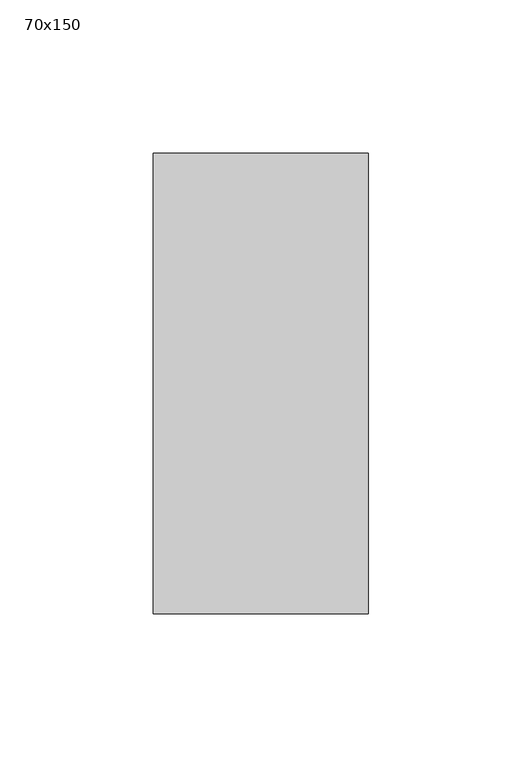
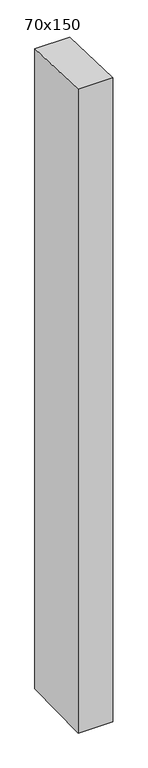
"""IFC4 building model written with IfcOpenShell, lengths in millimetres: member geometry, 70x150."""

import ifcopenshell
import ifcopenshell.guid

model = None  # the IFC model being written
_history = None  # IfcOwnerHistory: only IFC2X3 demands one
_inside = {}  # id of a spatial element -> (the spatial element, [elements in it])
_under = {}  # id of a project, library or spatial element -> (it, [spatial elements below it])
_declared = {}  # id of a project -> (the project, [libraries it declares])
_typed = {}  # id of a type object -> (the type object, [elements of that type])
_made_of = {}  # id of a material, layer set ... -> (it, [elements and type objects made of it])


def new_model(schema):
    """Start an empty IFC model of exactly this schema.

    Asked for "IFC4X3", IfcOpenShell would pick the latest addendum, in which some entities
    have other attributes; the version numbers below select the first issue.
    IFC2X3 requires an IfcOwnerHistory on every rooted entity: one is made here for all.
    """
    global model, _history
    if schema == "IFC4X3":
        model = ifcopenshell.file(schema_version=(4, 3, 0, 0))
    else:
        model = ifcopenshell.file(schema=schema)
    _inside.clear()
    _under.clear()
    _declared.clear()
    _typed.clear()
    _made_of.clear()
    _history = None
    if model.schema == "IFC2X3":
        org = make("IfcOrganization", Name="unknown")
        user = make(
            "IfcPersonAndOrganization",
            ThePerson=make("IfcPerson", FamilyName="unknown"),
            TheOrganization=org,
        )
        app = make(
            "IfcApplication",
            ApplicationDeveloper=org,
            Version="unknown",
            ApplicationFullName="unknown",
            ApplicationIdentifier="unknown",
        )
        _history = make(
            "IfcOwnerHistory",
            OwningUser=user,
            OwningApplication=app,
            ChangeAction="ADDED",
            CreationDate=0,
        )
    return model


def make(cls, **values):
    """One entity of the class cls with the attributes given. An attribute that is None is left unset."""
    return model.create_entity(
        cls, **{name: value for name, value in values.items() if value is not None}
    )


def rooted(cls, **values):
    """An entity with a GlobalId (a new one), such as an element, a storey or a relation."""
    return make(cls, GlobalId=ifcopenshell.guid.new(), OwnerHistory=_history, **values)


def si_unit(unit_type, name, prefix=None):
    """IfcSIUnit, for example si_unit("LENGTHUNIT", "METRE", prefix="MILLI")."""
    return make("IfcSIUnit", UnitType=unit_type, Prefix=prefix, Name=name)


def assignment(units):
    """IfcUnitAssignment: the units of a project."""
    return None if units is None else make("IfcUnitAssignment", Units=units)


def point(xyz):
    """IfcCartesianPoint."""
    return None if xyz is None else make("IfcCartesianPoint", Coordinates=xyz)


def direction(xyz):
    """IfcDirection."""
    return None if xyz is None else make("IfcDirection", DirectionRatios=xyz)


def frame(location, z_axis=None, x_axis=None):
    """IfcAxis2Placement3D, a coordinate frame: its origin and axes. An axis left out is left unset."""
    return make(
        "IfcAxis2Placement3D",
        Location=point(location),
        Axis=direction(z_axis),
        RefDirection=direction(x_axis),
    )


def origin():
    """The frame at (0, 0, 0) with its axes left unset."""
    return frame((0.0, 0.0, 0.0))


def place(relative_to, where):
    """IfcLocalPlacement: puts the frame where relative to a parent placement (None: the world)."""
    return make(
        "IfcLocalPlacement", PlacementRelTo=relative_to, RelativePlacement=where
    )


def context(
    kind, dimensions, precision=None, world=None, true_north=None, identifier=None
):
    """IfcGeometricRepresentationContext, for example the 3D "Model" context."""
    return make(
        "IfcGeometricRepresentationContext",
        ContextIdentifier=identifier,
        ContextType=kind,
        CoordinateSpaceDimension=dimensions,
        Precision=precision,
        WorldCoordinateSystem=world,
        TrueNorth=true_north,
    )


def project(units=None, contexts=None):
    """IfcProject with its units and contexts."""
    return rooted(
        "IfcProject",
        Name="project",
        RepresentationContexts=contexts,
        UnitsInContext=assignment(units),
    )


def spatial(cls, under=None, at=None, **own):
    """A site, building, storey or space (cls), placed at a placement, below another one or the project."""
    s = rooted(cls, ObjectPlacement=at, **own)
    if under is not None:
        _under.setdefault(under.id(), (under, []))[1].append(s)
    return s


def polyline(points):
    """IfcPolyline through the points."""
    return make("IfcPolyline", Points=[point(p) for p in points])


def outline(outer, holes=None, kind="AREA"):
    """IfcArbitraryClosedProfileDef: a profile drawn as a closed curve; with holes, ...WithVoids."""
    if holes is None:
        return make("IfcArbitraryClosedProfileDef", ProfileType=kind, OuterCurve=outer)
    return make(
        "IfcArbitraryProfileDefWithVoids",
        ProfileType=kind,
        OuterCurve=outer,
        InnerCurves=holes,
    )


def extrude(swept, where, along, depth):
    """IfcExtrudedAreaSolid: the profile swept, set in the frame where, extruded along a direction by depth."""
    return make(
        "IfcExtrudedAreaSolid",
        SweptArea=swept,
        Position=where,
        ExtrudedDirection=direction(along),
        Depth=depth,
    )


def shape(context_of_items, identifier, shape_type, items):
    """IfcShapeRepresentation: the items that make up one representation, for example the "Body"."""
    return make(
        "IfcShapeRepresentation",
        ContextOfItems=context_of_items,
        RepresentationIdentifier=identifier,
        RepresentationType=shape_type,
        Items=items,
    )


def source(mapping_origin, context_of_items, identifier, shape_type, items):
    """IfcRepresentationMap: a shape defined once, which mapped items show again and again."""
    return make(
        "IfcRepresentationMap",
        MappingOrigin=mapping_origin,
        MappedRepresentation=shape(context_of_items, identifier, shape_type, items),
    )


def transform(
    local_origin,
    x_axis=None,
    y_axis=None,
    z_axis=None,
    scale=None,
    scale2=None,
    scale3=None,
    uniform=True,
):
    """IfcCartesianTransformationOperator3D, or its non-uniform kind. x_axis, y_axis, z_axis: its Axis1, 2, 3."""
    if uniform:
        return make(
            "IfcCartesianTransformationOperator3D",
            Axis1=direction(x_axis),
            Axis2=direction(y_axis),
            LocalOrigin=point(local_origin),
            Scale=scale,
            Axis3=direction(z_axis),
        )
    return make(
        "IfcCartesianTransformationOperator3DnonUniform",
        Axis1=direction(x_axis),
        Axis2=direction(y_axis),
        LocalOrigin=point(local_origin),
        Scale=scale,
        Axis3=direction(z_axis),
        Scale2=scale2,
        Scale3=scale3,
    )


def mapped(mapping_source, mapping_target):
    """IfcMappedItem: shows the shape of a source again, moved by a transform."""
    return make(
        "IfcMappedItem", MappingSource=mapping_source, MappingTarget=mapping_target
    )


def made_of(thing, what):
    """Note that an element or type object is made of a material, layer set ...; save() writes the relation."""
    if what is not None:
        _made_of.setdefault(what.id(), (what, []))[1].append(thing)
    return thing


def element(
    cls,
    number,
    at=None,
    inside=None,
    cuts=None,
    type_object=None,
    material=None,
    context=None,
    identifier="Body",
    shape_type=None,
    held_by="IfcProductDefinitionShape",
    body=None,
    shapes=None,
    **own,
):
    """One element of the class cls, such as IfcWall. Its Tag is "e" and its number.

    at: its placement. inside: the storey or other place that contains it. cuts: it is an
    opening in that element (IfcRelVoidsElement). A single representation is given by context,
    identifier, shape_type and body (its items); several are given by shapes. held_by: the class
    of the entity that holds the representations. save() writes the other relations.
    """
    e = rooted(cls, Tag="e%d" % number, ObjectPlacement=at, **own)
    if body is not None:
        shapes = [shape(context, identifier, shape_type, body)]
    if shapes is not None:
        e.Representation = make(held_by, Representations=shapes)
    if inside is not None:
        _inside.setdefault(inside.id(), (inside, []))[1].append(e)
    if cuts is not None:
        rooted(
            "IfcRelVoidsElement", RelatingBuildingElement=cuts, RelatedOpeningElement=e
        )
    if type_object is not None:
        _typed.setdefault(type_object.id(), (type_object, []))[1].append(e)
    return made_of(e, material)


def aggregate(whole, parts):
    """IfcRelAggregates: a whole, such as a stair, and the parts it consists of."""
    return rooted("IfcRelAggregates", RelatingObject=whole, RelatedObjects=parts)


def save(model, path):
    """Write the relations noted so far, then the file.

    IfcRelAggregates (storeys below a building ...), IfcRelContainedInSpatialStructure (elements
    in a storey), IfcRelDefinesByType, IfcRelAssociatesMaterial and IfcRelDeclares: one each for
    every whole, place, type object, material and project.
    """
    for whole, parts in _under.values():
        aggregate(whole, parts)
    for where, things in _inside.values():
        rooted(
            "IfcRelContainedInSpatialStructure",
            RelatedElements=things,
            RelatingStructure=where,
        )
    for kind, things in _typed.values():
        rooted("IfcRelDefinesByType", RelatedObjects=things, RelatingType=kind)
    for what, things in _made_of.values():
        rooted("IfcRelAssociatesMaterial", RelatedObjects=things, RelatingMaterial=what)
    for by, libraries in _declared.values():
        rooted("IfcRelDeclares", RelatingContext=by, RelatedDefinitions=libraries)
    model.write(path)


def member_70x150_34a13c10(model_context):
    return source(origin(), model_context, "Body", "SweptSolid", [
        extrude(outline(polyline([(-75.0, 2.3941027), (75.0, -2.3941027), (75.0, -1360.7942382), (-75.0, -1364.0833075), (-75.0, 2.3941027)])), frame((-35.0, 0.0, 0.0), z_axis=(1.0, 0.0, 0.0), x_axis=(0.0, 1.0, 0.0)), (0.0, 0.0, 1.0), 70.0),
    ])


if __name__ == "__main__":
    model = new_model("IFC4")
    model_context = context("Model", 3, world=origin())
    ifc_project = project(units=[si_unit("LENGTHUNIT", "METRE", prefix="MILLI")], contexts=[model_context])
    site = spatial("IfcSite", under=ifc_project)
    building = spatial("IfcBuilding", under=site)
    placement = place(None, origin())
    member_70x150_shape = member_70x150_34a13c10(model_context)
    element("IfcMember", 1, ObjectType="70x150", at=placement, inside=building, context=model_context, shape_type="MappedRepresentation", body=[
        mapped(member_70x150_shape, transform((0.0, 0.0, 0.0), x_axis=(1.0, 0.0, 0.0), y_axis=(0.0, 1.0, 0.0), z_axis=(0.0, 0.0, 1.0))),
    ])
    save(model, "model.ifc")
